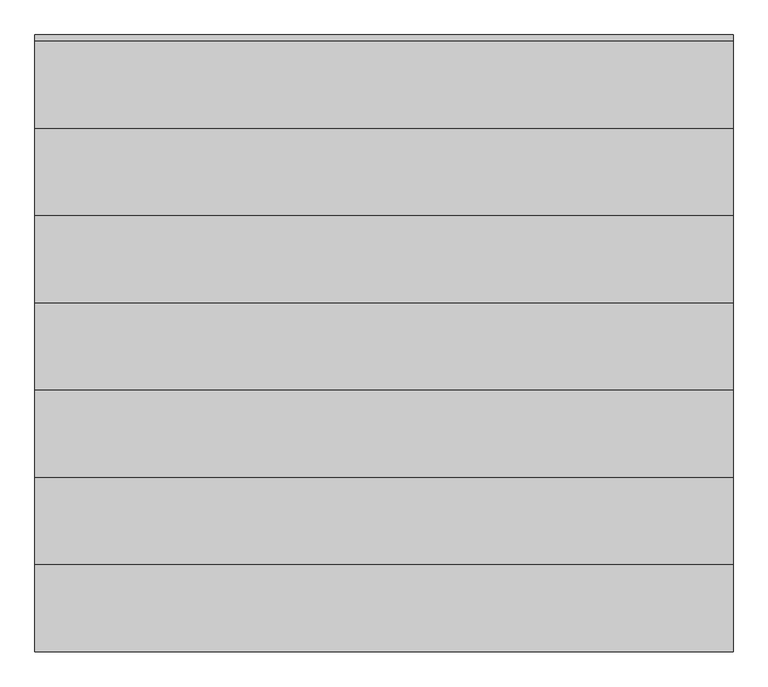
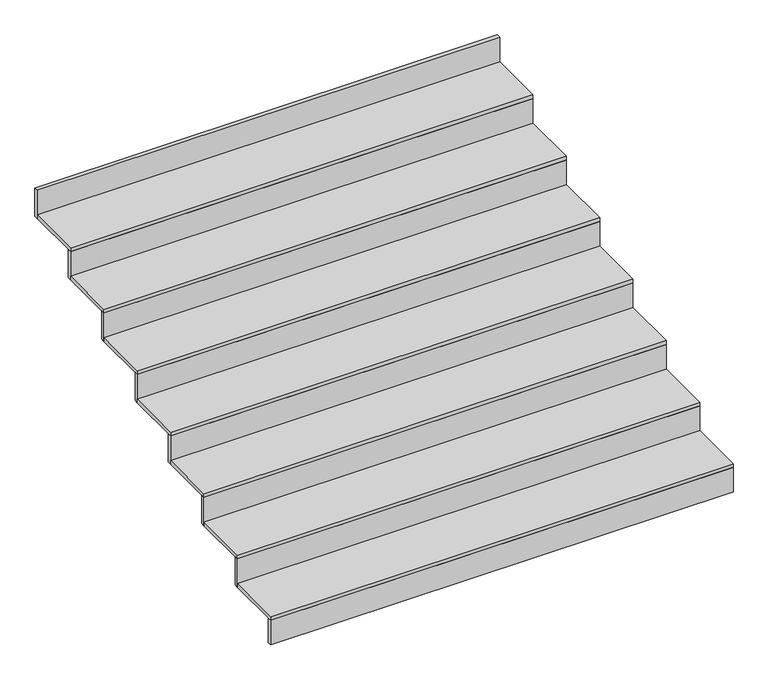
"""IFC4 building model written with IfcOpenShell, lengths in millimetres: stair flight geometry."""

from ifc_helpers import new_model, si_unit, frame, origin, place, context, project, spatial, polyline, outline, extrude, source, transform, mapped, element, save


def stair_flight_531f6d3f(model_context):
    return source(origin(), model_context, "Body", "SweptSolid", [
        extrude(outline(polyline([(137888.4918276, 83215.1344505), (137888.4918276, 83195.1344505), (135488.4918276, 83195.1344505), (135488.4918276, 83215.1344505), (137888.4918276, 83215.1344505)])), frame((0.0, 0.0, 6275.681314), z_axis=(0.0, 0.0, 1.0), x_axis=(1.0, 0.0, 0.0)), (0.0, 0.0, 1.0), 135.5958964),
        extrude(outline(polyline([(135488.4918276, 83495.1344505), (137888.4918276, 83495.1344505), (137888.4918276, 83195.1344505), (135488.4918276, 83195.1344505), (135488.4918276, 83495.1344505)])), frame((0.0, 0.0, 6411.2772104), z_axis=(0.0, 0.0, 1.0), x_axis=(1.0, 0.0, 0.0)), (0.0, 0.0, 1.0), 20.0),
        extrude(outline(polyline([(137888.4918276, 83515.1344505), (137888.4918276, 83495.1344505), (135488.4918276, 83495.1344505), (135488.4918276, 83515.1344505), (137888.4918276, 83515.1344505)])), frame((0.0, 0.0, 6411.2772104), z_axis=(0.0, 0.0, 1.0), x_axis=(1.0, 0.0, 0.0)), (0.0, 0.0, 1.0), 155.5958964),
        extrude(outline(polyline([(135488.4918276, 83795.1344505), (137888.4918276, 83795.1344505), (137888.4918276, 83495.1344505), (135488.4918276, 83495.1344505), (135488.4918276, 83795.1344505)])), frame((0.0, 0.0, 6566.8731069), z_axis=(0.0, 0.0, 1.0), x_axis=(1.0, 0.0, 0.0)), (0.0, 0.0, 1.0), 20.0),
        extrude(outline(polyline([(137888.4918276, 83815.1344505), (137888.4918276, 83795.1344505), (135488.4918276, 83795.1344505), (135488.4918276, 83815.1344505), (137888.4918276, 83815.1344505)])), frame((0.0, 0.0, 6566.8731069), z_axis=(0.0, 0.0, 1.0), x_axis=(1.0, 0.0, 0.0)), (0.0, 0.0, 1.0), 155.5958964),
        extrude(outline(polyline([(135488.4918276, 84095.1344505), (137888.4918276, 84095.1344505), (137888.4918276, 83795.1344505), (135488.4918276, 83795.1344505), (135488.4918276, 84095.1344505)])), frame((0.0, 0.0, 6722.4690033), z_axis=(0.0, 0.0, 1.0), x_axis=(1.0, 0.0, 0.0)), (0.0, 0.0, 1.0), 20.0),
        extrude(outline(polyline([(137888.4918276, 84115.1344505), (137888.4918276, 84095.1344505), (135488.4918276, 84095.1344505), (135488.4918276, 84115.1344505), (137888.4918276, 84115.1344505)])), frame((0.0, 0.0, 6722.4690033), z_axis=(0.0, 0.0, 1.0), x_axis=(1.0, 0.0, 0.0)), (0.0, 0.0, 1.0), 155.5958964),
        extrude(outline(polyline([(135488.4918276, 84395.1344505), (137888.4918276, 84395.1344505), (137888.4918276, 84095.1344505), (135488.4918276, 84095.1344505), (135488.4918276, 84395.1344505)])), frame((0.0, 0.0, 6878.0648997), z_axis=(0.0, 0.0, 1.0), x_axis=(1.0, 0.0, 0.0)), (0.0, 0.0, 1.0), 20.0),
        extrude(outline(polyline([(137888.4918276, 84415.1344505), (137888.4918276, 84395.1344505), (135488.4918276, 84395.1344505), (135488.4918276, 84415.1344505), (137888.4918276, 84415.1344505)])), frame((0.0, 0.0, 6878.0648997), z_axis=(0.0, 0.0, 1.0), x_axis=(1.0, 0.0, 0.0)), (0.0, 0.0, 1.0), 155.5958964),
        extrude(outline(polyline([(135488.4918276, 84695.1344505), (137888.4918276, 84695.1344505), (137888.4918276, 84395.1344505), (135488.4918276, 84395.1344505), (135488.4918276, 84695.1344505)])), frame((0.0, 0.0, 7033.6607962), z_axis=(0.0, 0.0, 1.0), x_axis=(1.0, 0.0, 0.0)), (0.0, 0.0, 1.0), 20.0),
        extrude(outline(polyline([(137888.4918276, 84715.1344505), (137888.4918276, 84695.1344505), (135488.4918276, 84695.1344505), (135488.4918276, 84715.1344505), (137888.4918276, 84715.1344505)])), frame((0.0, 0.0, 7033.6607962), z_axis=(0.0, 0.0, 1.0), x_axis=(1.0, 0.0, 0.0)), (0.0, 0.0, 1.0), 155.5958964),
        extrude(outline(polyline([(135488.4918276, 84995.1344505), (137888.4918276, 84995.1344505), (137888.4918276, 84695.1344505), (135488.4918276, 84695.1344505), (135488.4918276, 84995.1344505)])), frame((0.0, 0.0, 7189.2566926), z_axis=(0.0, 0.0, 1.0), x_axis=(1.0, 0.0, 0.0)), (0.0, 0.0, 1.0), 20.0),
        extrude(outline(polyline([(137888.4918276, 85015.1344505), (137888.4918276, 84995.1344505), (135488.4918276, 84995.1344505), (135488.4918276, 85015.1344505), (137888.4918276, 85015.1344505)])), frame((0.0, 0.0, 7189.2566926), z_axis=(0.0, 0.0, 1.0), x_axis=(1.0, 0.0, 0.0)), (0.0, 0.0, 1.0), 155.5958964),
        extrude(outline(polyline([(137888.4918276, 85315.1344505), (137888.4918276, 85295.1344505), (135488.4918276, 85295.1344505), (135488.4918276, 85315.1344505), (137888.4918276, 85315.1344505)])), frame((0.0, 0.0, 7344.8525891), z_axis=(0.0, 0.0, 1.0), x_axis=(1.0, 0.0, 0.0)), (0.0, 0.0, 1.0), 155.5958964),
        extrude(outline(polyline([(135488.4918276, 85295.1344505), (137888.4918276, 85295.1344505), (137888.4918276, 84995.1344505), (135488.4918276, 84995.1344505), (135488.4918276, 85295.1344505)])), frame((0.0, 0.0, 7344.8525891), z_axis=(0.0, 0.0, 1.0), x_axis=(1.0, 0.0, 0.0)), (0.0, 0.0, 1.0), 20.0),
    ])


if __name__ == "__main__":
    model = new_model("IFC4")
    model_context = context("Model", 3, world=origin())
    ifc_project = project(units=[si_unit("LENGTHUNIT", "METRE", prefix="MILLI")], contexts=[model_context])
    site = spatial("IfcSite", under=ifc_project)
    building = spatial("IfcBuilding", under=site)
    placement = place(None, origin())
    stair_flight_shape = stair_flight_531f6d3f(model_context)
    element("IfcStairFlight", 1, at=placement, inside=building, context=model_context, shape_type="MappedRepresentation", body=[
        mapped(stair_flight_shape, transform((0.0, 0.0, 0.0), x_axis=(1.0, 0.0, 0.0), y_axis=(0.0, 1.0, 0.0), z_axis=(0.0, 0.0, 1.0))),
    ])
    save(model, "model.ifc")
